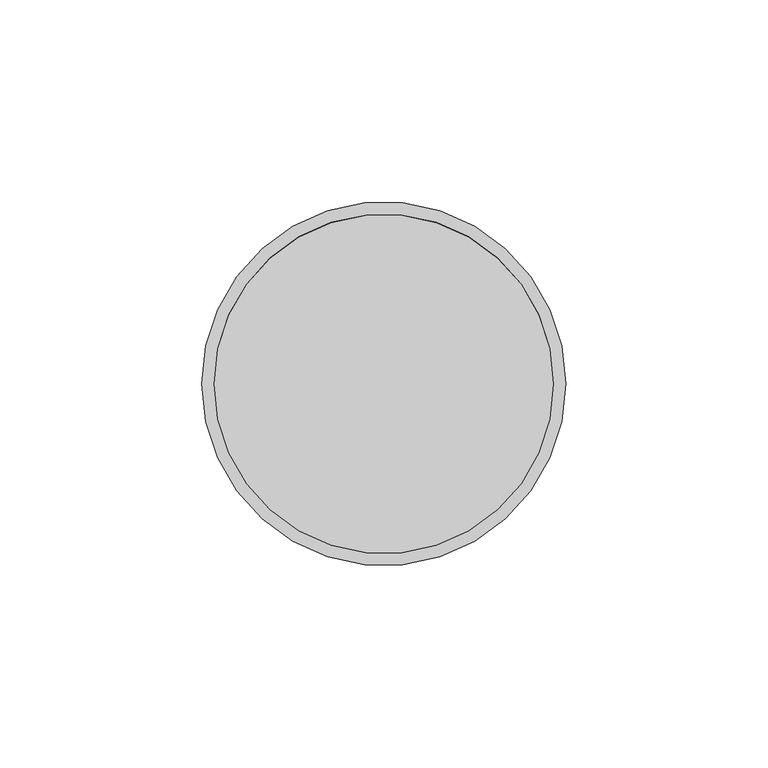
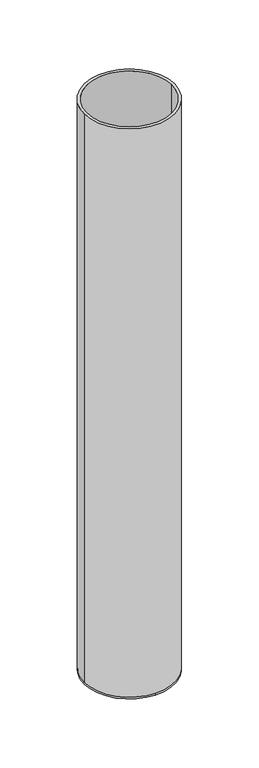
"""IFC4 building model written with IfcOpenShell, lengths in millimetres: beam geometry."""

from ifc_helpers import new_model, si_unit, frame, origin, place, context, project, spatial, polyline, circle_curve, source, transform, mapped, element, save
from ifc_brep_helpers import plane_surface, cylinder_surface, revolved_surface, advanced_brep


def beam_66a909b9(model_context):
    return source(origin(), model_context, "Body", "AdvancedBrep", [
        advanced_brep(
        [(45.0, 0.0, 0.0), (-45.0, 0.0, 0.0), (42.0, 0.0, 0.0), (-42.0, 0.0, 0.0), (42.0, 0.0, -598.0), (-42.0, 0.0, -598.0), (45.0, 0.0, -598.0), (0.0, 45.0, -598.0), (-45.0, 0.0, -598.0), (0.0, -45.0, -598.0), (0.0, 45.0, -600.0), (0.0, -45.0, -600.0)],
        [
            (0, 1, circle_curve(frame((0.0, 0.0, 0.0), z_axis=(0.0, 0.0, 1.0), x_axis=(-1.0, 0.0, 0.0)), 45.0)),
            (1, 0, circle_curve(frame((0.0, 0.0, 0.0), z_axis=(0.0, 0.0, 1.0), x_axis=(-1.0, 0.0, 0.0)), 45.0)),
            (2, 3, circle_curve(frame((0.0, 0.0, 0.0), z_axis=(0.0, 0.0, -1.0), x_axis=(-1.0, 0.0, 0.0)), 42.0)),
            (3, 2, circle_curve(frame((0.0, 0.0, 0.0), z_axis=(0.0, 0.0, -1.0), x_axis=(-1.0, 0.0, 0.0)), 42.0)),
            (2, 4),
            (4, 5, circle_curve(frame((0.0, 0.0, -598.0), z_axis=(0.0, 0.0, -1.0), x_axis=(-1.0, 0.0, 0.0)), 42.0)),
            (5, 3),
            (5, 4, circle_curve(frame((0.0, 0.0, -598.0), z_axis=(0.0, 0.0, -1.0), x_axis=(-1.0, 0.0, 0.0)), 42.0)),
            (0, 6),
            (6, 7, circle_curve(frame((0.0, 0.0, -598.0), z_axis=(0.0, 0.0, 1.0), x_axis=(-1.0, 0.0, 0.0)), 45.0)),
            (7, 8, circle_curve(frame((0.0, 0.0, -598.0), z_axis=(0.0, 0.0, 1.0), x_axis=(-1.0, 0.0, 0.0)), 45.0)),
            (8, 1),
            (8, 9, circle_curve(frame((0.0, 0.0, -598.0), z_axis=(0.0, 0.0, 1.0), x_axis=(-1.0, 0.0, 0.0)), 45.0)),
            (9, 6, circle_curve(frame((0.0, 0.0, -598.0), z_axis=(0.0, 0.0, 1.0), x_axis=(-1.0, 0.0, 0.0)), 45.0)),
            (10, 11, circle_curve(frame((0.0, 0.0, -600.0), z_axis=(0.0, 0.0, -1.0), x_axis=(0.0, -1.0, 0.0)), 45.0)),
            (11, 10, circle_curve(frame((0.0, 0.0, -600.0), z_axis=(0.0, 0.0, -1.0), x_axis=(0.0, -1.0, 0.0)), 45.0)),
            (11, 9),
            (7, 10),
        ],
        [
            plane_surface(frame((0.0, 0.0, 0.0), z_axis=(0.0, 0.0, 1.0), x_axis=(0.0, -1.0, 0.0))),
            revolved_surface(polyline([(-42.0, 0.0, 0.0), (-42.0, 0.0, -598.0)]), (0.0, 0.0, -598.0), (0.0, 0.0, 1.0)),
            cylinder_surface(frame((0.0, 0.0, -598.0), z_axis=(0.0, 0.0, -1.0), x_axis=(-1.0, 0.0, 0.0)), 45.0),
            plane_surface(frame((0.0, 0.0, -598.0), z_axis=(0.0, 0.0, 1.0), x_axis=(0.0, -1.0, 0.0))),
            plane_surface(frame((0.0, 0.0, -600.0), z_axis=(0.0, 0.0, -1.0), x_axis=(0.0, -1.0, 0.0))),
            cylinder_surface(frame((0.0, 0.0, -598.0), z_axis=(0.0, 0.0, 1.0), x_axis=(0.0, -1.0, 0.0)), 45.0),
        ],
        [
            (0, [[1, 2], [3, 4]]),
            (1, [[-3, 5, 6, 7]]),
            (1, [[-4, -7, 8, -5]]),
            (2, [[-1, 9, 10, 11, 12]]),
            (2, [[-2, -12, 13, 14, -9]]),
            (3, [[-6, -8]]),
            (4, [[15, 16]]),
            (5, [[-16, 17, -13, -11, 18]]),
            (5, [[-15, -18, -10, -14, -17]]),
        ],
    ),
    ])


if __name__ == "__main__":
    model = new_model("IFC4")
    model_context = context("Model", 3, world=origin())
    ifc_project = project(units=[si_unit("LENGTHUNIT", "METRE", prefix="MILLI")], contexts=[model_context])
    site = spatial("IfcSite", under=ifc_project)
    building = spatial("IfcBuilding", under=site)
    placement = place(None, origin())
    beam_shape = beam_66a909b9(model_context)
    element("IfcBeam", 1, at=placement, inside=building, context=model_context, shape_type="MappedRepresentation", body=[
        mapped(beam_shape, transform((0.0, 0.0, 0.0), x_axis=(1.0, 0.0, 0.0), y_axis=(0.0, 1.0, 0.0), z_axis=(0.0, 0.0, 1.0))),
    ])
    save(model, "model.ifc")
